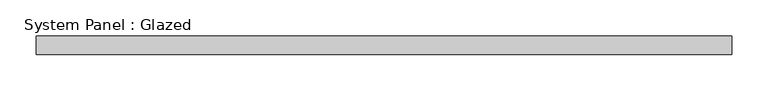
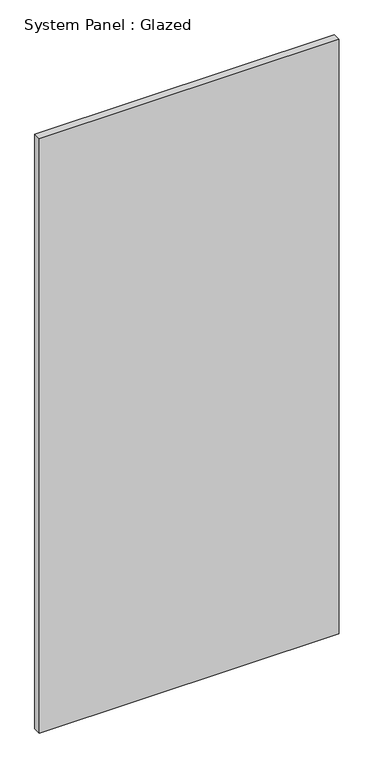
"""IFC4 building model written with IfcOpenShell, lengths in millimetres: plate geometry, System Panel : Glazed."""

from ifc_helpers import new_model, si_unit, origin, origin_with_axes, place, context, project, spatial, polyline, outline, extrude, source, transform, mapped, element, save


def system_panel_glazed_449ddb4d(model_context):
    return source(origin(), model_context, "Body", "SweptSolid", [
        extrude(outline(polyline([(476.9623029, 24.5), (-476.9623029, 24.5), (-476.9623029, 49.5), (476.9623029, 49.5), (476.9623029, 24.5)])), origin_with_axes(), (0.0, 0.0, 1.0), 2000.0),
    ])


if __name__ == "__main__":
    model = new_model("IFC4")
    model_context = context("Model", 3, world=origin())
    ifc_project = project(units=[si_unit("LENGTHUNIT", "METRE", prefix="MILLI")], contexts=[model_context])
    site = spatial("IfcSite", under=ifc_project)
    building = spatial("IfcBuilding", under=site)
    placement = place(None, origin())
    system_panel_glazed_shape = system_panel_glazed_449ddb4d(model_context)
    element("IfcPlate", 1, ObjectType="System Panel : Glazed", at=placement, inside=building, context=model_context, shape_type="MappedRepresentation", body=[
        mapped(system_panel_glazed_shape, transform((0.0, 0.0, 0.0), x_axis=(1.0, 0.0, 0.0), y_axis=(0.0, 1.0, 0.0), z_axis=(0.0, 0.0, 1.0))),
    ])
    save(model, "model.ifc")
